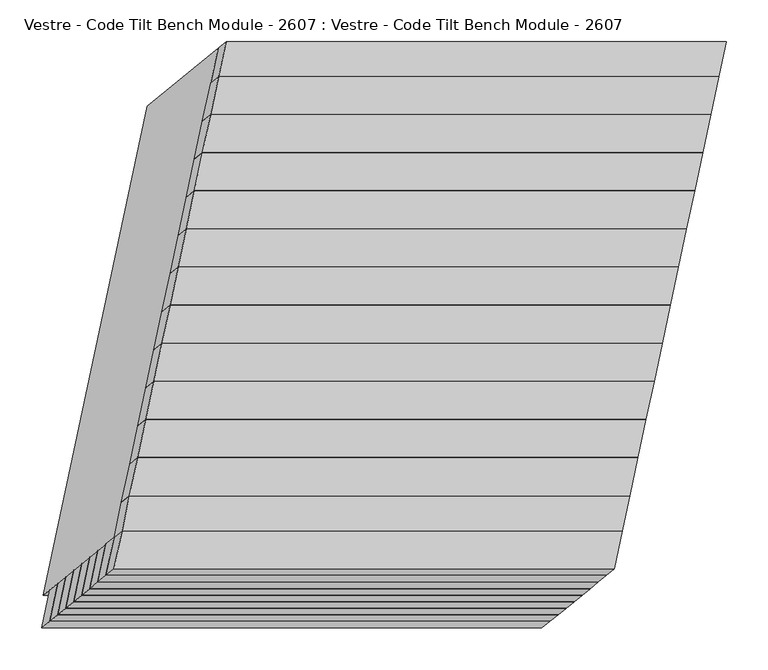
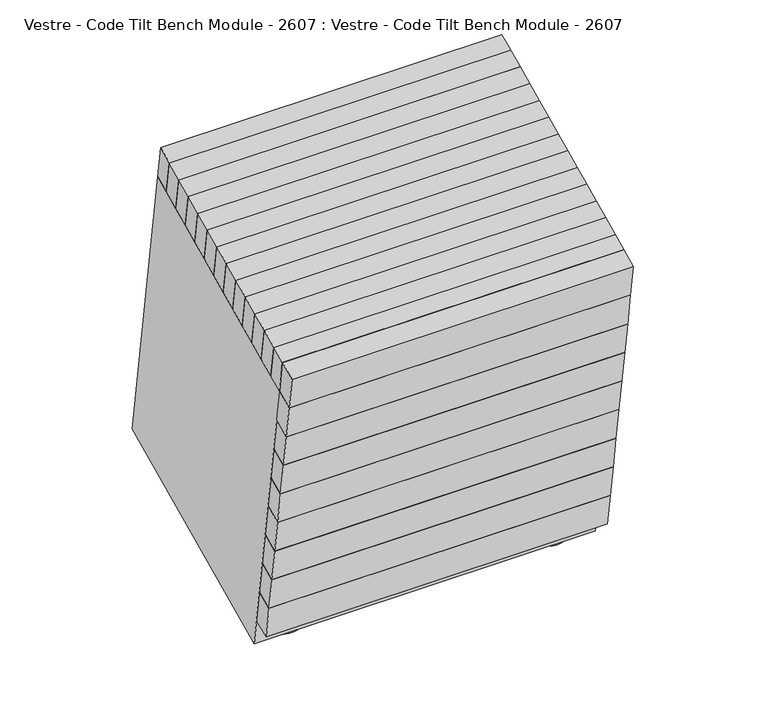
"""IFC4 building model written with IfcOpenShell, lengths in millimetres: furniture geometry, Vestre - Code Tilt Bench Module - 2607 : Vestre - Code Tilt Bench Module - 2607."""

from ifc_helpers import new_model, si_unit, point, frame, frame_2d, origin, origin_with_axes, place, context, project, spatial, circle_curve, trimmed, segment, composite_curve, outline, extrude, faceted_brep, source, transform, mapped, element, save


def vestre_code_tilt_bench_module_2607_vestre_code_tilt_bench_d268f4c3(model_context):
    return source(origin(), model_context, "Body", "SolidModel", [
        faceted_brep([(215.751229, -269.8133464, 419.8134138), (225.5082596, -223.9101268, 419.8134138), (-374.4917404, -223.9101268, 419.8134138), (-384.248771, -269.8133464, 419.8134138), (206.1097925, -277.688061, 374.7462265), (-393.8902075, -277.688061, 374.7462265), (-384.133177, -231.7848414, 374.7462265), (215.866823, -231.7848414, 374.7462265)], [[[0, 1, 2, 3]], [[4, 5, 6, 7]], [[5, 4, 0, 3]], [[6, 5, 3, 2]], [[7, 6, 2, 1]], [[4, 7, 1, 0]]]),
        faceted_brep([(244.0437897, -174.1919917, 465.0), (253.7680564, -128.4429141, 465.0), (-346.2319436, -128.4429141, 465.0), (-355.9562103, -174.1919917, 465.0), (234.3979186, -182.0875693, 419.8134138), (-365.6020814, -182.0875693, 419.8134138), (-355.8778148, -136.3384916, 419.8134138), (244.1221852, -136.3384916, 419.8134138)], [[[0, 1, 2, 3]], [[4, 5, 6, 7]], [[5, 4, 0, 3]], [[6, 5, 3, 2]], [[7, 6, 2, 1]], [[4, 7, 1, 0]]]),
        faceted_brep([(253.7680564, -128.4429141, 465.0), (263.492323, -82.6938364, 465.0), (-336.507677, -82.6938364, 465.0), (-346.2319436, -128.4429141, 465.0), (244.1221852, -136.3384916, 419.8134138), (-355.8778148, -136.3384916, 419.8134138), (-346.1535481, -90.5894139, 419.8134138), (253.8464519, -90.5894139, 419.8134138)], [[[0, 1, 2, 3]], [[4, 5, 6, 7]], [[5, 4, 0, 3]], [[6, 5, 3, 2]], [[7, 6, 2, 1]], [[4, 7, 1, 0]]]),
        faceted_brep([(263.492323, -82.6938364, 465.0), (273.2165897, -36.9447587, 465.0), (-326.7834103, -36.9447587, 465.0), (-336.507677, -82.6938364, 465.0), (253.8464519, -90.5894139, 419.8134138), (-346.1535481, -90.5894139, 419.8134138), (-336.4292815, -44.8403363, 419.8134138), (263.5707185, -44.8403363, 419.8134138)], [[[0, 1, 2, 3]], [[4, 5, 6, 7]], [[5, 4, 0, 3]], [[6, 5, 3, 2]], [[7, 6, 2, 1]], [[4, 7, 1, 0]]]),
        faceted_brep([(273.2165897, -36.9447587, 465.0), (282.9408563, 8.8043189, 465.0), (-317.0591437, 8.8043189, 465.0), (-326.7834103, -36.9447587, 465.0), (263.5707185, -44.8403363, 419.8134138), (-336.4292815, -44.8403363, 419.8134138), (-326.7050148, 0.9087414, 419.8134138), (273.2949852, 0.9087414, 419.8134138)], [[[0, 1, 2, 3]], [[4, 5, 6, 7]], [[5, 4, 0, 3]], [[6, 5, 3, 2]], [[7, 6, 2, 1]], [[4, 7, 1, 0]]]),
        faceted_brep([(282.9408563, 8.8043189, 465.0), (292.665123, 54.5533966, 465.0), (-307.334877, 54.5533966, 465.0), (-317.0591437, 8.8043189, 465.0), (273.2949852, 0.9087414, 419.8134138), (-326.7050148, 0.9087414, 419.8134138), (-316.9807482, 46.657819, 419.8134138), (283.0192518, 46.657819, 419.8134138)], [[[0, 1, 2, 3]], [[4, 5, 6, 7]], [[5, 4, 0, 3]], [[6, 5, 3, 2]], [[7, 6, 2, 1]], [[4, 7, 1, 0]]]),
        faceted_brep([(292.665123, 54.5533966, 465.0), (302.3893896, 100.3024742, 465.0), (-297.6106104, 100.3024742, 465.0), (-307.334877, 54.5533966, 465.0), (283.0192518, 46.657819, 419.8134138), (-316.9807482, 46.657819, 419.8134138), (-307.2564815, 92.4068967, 419.8134138), (292.7435185, 92.4068967, 419.8134138)], [[[0, 1, 2, 3]], [[4, 5, 6, 7]], [[5, 4, 0, 3]], [[6, 5, 3, 2]], [[7, 6, 2, 1]], [[4, 7, 1, 0]]]),
        faceted_brep([(302.3893896, 100.3024742, 465.0), (312.1136563, 146.0515519, 465.0), (-287.8863437, 146.0515519, 465.0), (-297.6106104, 100.3024742, 465.0), (292.7435185, 92.4068967, 419.8134138), (-307.2564815, 92.4068967, 419.8134138), (-297.5322149, 138.1559744, 419.8134138), (302.4677851, 138.1559744, 419.8134138)], [[[0, 1, 2, 3]], [[4, 5, 6, 7]], [[5, 4, 0, 3]], [[6, 5, 3, 2]], [[7, 6, 2, 1]], [[4, 7, 1, 0]]]),
        faceted_brep([(312.1136563, 146.0515519, 465.0), (321.8379229, 191.8006296, 465.0), (-278.1620771, 191.8006296, 465.0), (-287.8863437, 146.0515519, 465.0), (302.4677851, 138.1559744, 419.8134138), (-297.5322149, 138.1559744, 419.8134138), (-287.8079482, 183.905052, 419.8134138), (312.1920518, 183.905052, 419.8134138)], [[[0, 1, 2, 3]], [[4, 5, 6, 7]], [[5, 4, 0, 3]], [[6, 5, 3, 2]], [[7, 6, 2, 1]], [[4, 7, 1, 0]]]),
        faceted_brep([(321.8379229, 191.8006296, 465.0), (331.5621895, 237.5497072, 465.0), (-268.4378105, 237.5497072, 465.0), (-278.1620771, 191.8006296, 465.0), (312.1920518, 183.905052, 419.8134138), (-287.8079482, 183.905052, 419.8134138), (-278.0836816, 229.6541297, 419.8134138), (321.9163184, 229.6541297, 419.8134138)], [[[0, 1, 2, 3]], [[4, 5, 6, 7]], [[5, 4, 0, 3]], [[6, 5, 3, 2]], [[7, 6, 2, 1]], [[4, 7, 1, 0]]]),
        faceted_brep([(331.5621895, 237.5497072, 465.0), (341.2864562, 283.2987849, 465.0), (-258.7135438, 283.2987849, 465.0), (-268.4378105, 237.5497072, 465.0), (321.9163184, 229.6541297, 419.8134138), (-278.0836816, 229.6541297, 419.8134138), (-268.3594149, 275.4032074, 419.8134138), (331.6405851, 275.4032074, 419.8134138)], [[[0, 1, 2, 3]], [[4, 5, 6, 7]], [[5, 4, 0, 3]], [[6, 5, 3, 2]], [[7, 6, 2, 1]], [[4, 7, 1, 0]]]),
        faceted_brep([(341.2864562, 283.2987849, 465.0), (351.0107228, 329.0478626, 465.0), (-248.9892772, 329.0478626, 465.0), (-258.7135438, 283.2987849, 465.0), (331.6405851, 275.4032074, 419.8134138), (-268.3594149, 275.4032074, 419.8134138), (-258.6351483, 321.152285, 419.8134138), (341.3648517, 321.152285, 419.8134138)], [[[0, 1, 2, 3]], [[4, 5, 6, 7]], [[5, 4, 0, 3]], [[6, 5, 3, 2]], [[7, 6, 2, 1]], [[4, 7, 1, 0]]]),
        faceted_brep([(235.1533674, -216.0181403, 465.0), (244.0437897, -174.1919917, 465.0), (-355.9562103, -174.1919917, 465.0), (-364.8466326, -216.0181403, 465.0), (225.5082596, -223.9101268, 419.8134138), (-374.4917404, -223.9101268, 419.8134138), (-365.6020814, -182.0875693, 419.8134138), (234.3979186, -182.0875693, 419.8134138)], [[[0, 1, 2, 3]], [[4, 5, 6, 7]], [[5, 4, 0, 3]], [[6, 5, 3, 2]], [[7, 6, 2, 1]], [[4, 7, 1, 0]]]),
        extrude(outline(composite_curve([segment(trimmed(circle_curve(frame_2d((184.9661106, 228.5027868)), 5.0), [point((189.9661106, 228.5027868))], [point((179.9661106, 228.5027868))], False, "CARTESIAN"), True, "CONTINUOUS"), segment(trimmed(circle_curve(frame_2d((184.9661106, 228.5027868)), 5.0), [point((179.9661106, 228.5027868))], [point((189.9661106, 228.5027868))], False, "CARTESIAN"), True, "CONTINUOUS")], self_intersect=False)), frame((0.0, 0.0, 5.0), z_axis=(0.0, 0.0, 1.0), x_axis=(1.0, 0.0, 0.0)), (0.0, 0.0, 1.0), 16.8677277),
        extrude(outline(composite_curve([segment(trimmed(circle_curve(frame_2d((-379.2374486, -228.4385142)), 5.0), [point((-374.2374486, -228.4385142))], [point((-384.2374486, -228.4385142))], False, "CARTESIAN"), True, "CONTINUOUS"), segment(trimmed(circle_curve(frame_2d((-379.2374486, -228.4385142)), 5.0), [point((-384.2374486, -228.4385142))], [point((-374.2374486, -228.4385142))], False, "CARTESIAN"), True, "CONTINUOUS")], self_intersect=False)), frame((0.0, 0.0, 5.0), z_axis=(0.0, 0.0, 1.0), x_axis=(1.0, 0.0, 0.0)), (0.0, 0.0, 1.0), 16.8677277),
        extrude(outline(composite_curve([segment(trimmed(circle_curve(frame_2d((87.8263213, -228.4385142)), 5.0), [point((92.8263213, -228.4385142))], [point((82.8263213, -228.4385142))], False, "CARTESIAN"), True, "CONTINUOUS"), segment(trimmed(circle_curve(frame_2d((87.8263213, -228.4385142)), 5.0), [point((82.8263213, -228.4385142))], [point((92.8263213, -228.4385142))], False, "CARTESIAN"), True, "CONTINUOUS")], self_intersect=False)), frame((0.0, 0.0, 5.0), z_axis=(0.0, 0.0, 1.0), x_axis=(1.0, 0.0, 0.0)), (0.0, 0.0, 1.0), 16.8677277),
        faceted_brep([(-249.744726, 362.9784336, 419.8134138), (-374.4917404, -223.9101268, 419.8134138), (225.5082596, -223.9101268, 419.8134138), (350.255274, 362.9784336, 419.8134138), (-208.6618234, 312.2208839, 419.8134138), (287.594671, 312.2208839, 419.8134138), (181.9894462, -184.6126361, 419.8134138), (-314.2670481, -184.6126361, 419.8134138), (-334.6932278, 293.4442802, 21.8677277), (265.3067722, 293.4442802, 21.8677277), (140.5597577, -293.4442802, 21.8677277), (-459.4402423, -293.4442802, 21.8677277), (202.6461691, 242.6867305, 21.8677277), (-293.6103253, 242.6867305, 21.8677277), (-397.172905, -244.5369002, 21.8677277), (99.0835894, -244.5369002, 21.8677277), (-334.09591, -231.7848414, 374.7462265), (171.9626845, -231.7848414, 374.7462265), (100.3471348, -284.7076416, 71.8677277), (-405.7114596, -284.7076416, 71.8677277), (-212.211096, 309.3156453, 403.1866612), (284.0453984, 309.3156453, 403.1866612), (206.7306515, 246.0300623, 41.0016985), (-289.5258429, 246.0300623, 41.0016985), (178.5255183, -187.1163595, 403.1866612), (103.0698576, -241.6556298, 41.0016985), (-317.730976, -187.1163595, 403.1866612), (-393.1866367, -241.6556298, 41.0016985), (-330.8611911, -216.5666856, 374.7462265), (175.1974034, -216.5666856, 374.7462265), (104.5597422, -264.8888821, 71.8677277), (-401.4988523, -264.8888821, 71.8677277), (-224.6981062, 332.9707916, 403.1866612), (317.142409, 332.9707916, 403.1866612), (201.2990829, -212.0292084, 403.1866612), (-340.5414324, -212.0292084, 403.1866612), (-322.5535579, 272.8781405, 41.0016985), (-437.9061944, -269.8133464, 41.0016985), (131.2549878, -269.8133464, 41.0016985), (246.6076242, 272.8781405, 41.0016985)], [[[0, 1, 2, 3], [4, 5, 6, 7]], [[8, 9, 10, 11], [12, 13, 14, 15]], [[0, 3, 9, 8]], [[3, 2, 10, 9]], [[2, 1, 11, 10], [16, 17, 18, 19]], [[1, 0, 8, 11]], [[5, 4, 20, 21]], [[13, 12, 22, 23]], [[6, 5, 21, 24]], [[12, 15, 25, 22]], [[7, 6, 24, 26]], [[15, 14, 27, 25]], [[4, 7, 26, 20]], [[14, 13, 23, 27]], [[17, 16, 28, 29]], [[19, 18, 30, 31]], [[18, 17, 29, 30]], [[16, 19, 31, 28]], [[32, 33, 34, 35], [21, 20, 26, 24]], [[36, 37, 38, 39], [23, 22, 25, 27]], [[33, 32, 36, 39]], [[34, 33, 39, 38]], [[35, 34, 38, 37], [29, 28, 31, 30]], [[32, 35, 37, 36]]]),
        extrude(outline(composite_curve([segment(trimmed(circle_curve(frame_2d((-282.0328456, 228.5027868)), 5.0), [point((-287.0328456, 228.5027868))], [point((-277.0328456, 228.5027868))], False, "CARTESIAN"), True, "CONTINUOUS"), segment(trimmed(circle_curve(frame_2d((-282.0328456, 228.5027868)), 5.0), [point((-277.0328456, 228.5027868))], [point((-287.0328456, 228.5027868))], False, "CARTESIAN"), True, "CONTINUOUS")], self_intersect=False)), frame((0.0, 0.0, 5.0), z_axis=(0.0, 0.0, 1.0), x_axis=(1.0, 0.0, 0.0)), (0.0, 0.0, 1.0), 16.8677277),
        faceted_brep([(148.4085458, -324.9363487, 104.3431028), (158.1655763, -279.0331292, 104.3431028), (-441.8344237, -279.0331292, 104.3431028), (-451.5914542, -324.9363487, 104.3431028), (138.7671092, -332.8110633, 59.2759155), (-461.2328908, -332.8110633, 59.2759155), (-451.4758603, -286.9078438, 59.2759155), (148.5241397, -286.9078438, 59.2759155)], [[[0, 1, 2, 3]], [[4, 5, 6, 7]], [[5, 4, 0, 3]], [[6, 5, 3, 2]], [[7, 6, 2, 1]], [[4, 7, 1, 0]]]),
        faceted_brep([(158.0499823, -317.0616341, 149.4102901), (167.8070128, -271.1584146, 149.4102901), (-432.1929872, -271.1584146, 149.4102901), (-441.9500177, -317.0616341, 149.4102901), (148.4085458, -324.9363487, 104.3431028), (-451.5914542, -324.9363487, 104.3431028), (-441.8344237, -279.0331292, 104.3431028), (158.1655763, -279.0331292, 104.3431028)], [[[0, 1, 2, 3]], [[4, 5, 6, 7]], [[5, 4, 0, 3]], [[6, 5, 3, 2]], [[7, 6, 2, 1]], [[4, 7, 1, 0]]]),
        faceted_brep([(167.6703657, -309.1869195, 194.4774774), (177.4273962, -263.2836999, 194.4774774), (-422.5726038, -263.2836999, 194.4774774), (-432.3296343, -309.1869195, 194.4774774), (158.0289291, -317.0616341, 149.4102901), (-441.9710709, -317.0616341, 149.4102901), (-432.2140404, -271.1584146, 149.4102901), (167.7859596, -271.1584146, 149.4102901)], [[[0, 1, 2, 3]], [[4, 5, 6, 7]], [[5, 4, 0, 3]], [[6, 5, 3, 2]], [[7, 6, 2, 1]], [[4, 7, 1, 0]]]),
        faceted_brep([(177.290749, -301.3122048, 239.5446646), (187.0477795, -255.4089853, 239.5446646), (-412.9522205, -255.4089853, 239.5446646), (-422.709251, -301.3122048, 239.5446646), (167.6493124, -309.1869195, 194.4774774), (-432.3506876, -309.1869195, 194.4774774), (-422.5936571, -263.2836999, 194.4774774), (177.4063429, -263.2836999, 194.4774774)], [[[0, 1, 2, 3]], [[4, 5, 6, 7]], [[5, 4, 0, 3]], [[6, 5, 3, 2]], [[7, 6, 2, 1]], [[4, 7, 1, 0]]]),
        faceted_brep([(186.9111323, -293.4374902, 284.6118519), (196.6681628, -247.5342707, 284.6118519), (-403.3318372, -247.5342707, 284.6118519), (-413.0888677, -293.4374902, 284.6118519), (177.2696957, -301.3122048, 239.5446646), (-422.7303043, -301.3122048, 239.5446646), (-412.9732738, -255.4089853, 239.5446646), (187.0267262, -255.4089853, 239.5446646)], [[[0, 1, 2, 3]], [[4, 5, 6, 7]], [[5, 4, 0, 3]], [[6, 5, 3, 2]], [[7, 6, 2, 1]], [[4, 7, 1, 0]]]),
        faceted_brep([(196.5315156, -285.5627756, 329.6790392), (206.2885462, -239.6595561, 329.6790392), (-393.7114538, -239.6595561, 329.6790392), (-403.4684844, -285.5627756, 329.6790392), (186.8900791, -293.4374902, 284.6118519), (-413.1099209, -293.4374902, 284.6118519), (-403.3528904, -247.5342707, 284.6118519), (196.6471096, -247.5342707, 284.6118519)], [[[0, 1, 2, 3]], [[4, 5, 6, 7]], [[5, 4, 0, 3]], [[6, 5, 3, 2]], [[7, 6, 2, 1]], [[4, 7, 1, 0]]]),
        faceted_brep([(206.1097925, -277.688061, 374.7462265), (215.866823, -231.7848414, 374.7462265), (-384.133177, -231.7848414, 374.7462265), (-393.8902075, -277.688061, 374.7462265), (196.4683559, -285.5627756, 329.6790392), (-403.5316441, -285.5627756, 329.6790392), (-393.7746136, -239.6595561, 329.6790392), (206.2253864, -239.6595561, 329.6790392)], [[[0, 1, 2, 3]], [[4, 5, 6, 7]], [[5, 4, 0, 3]], [[6, 5, 3, 2]], [[7, 6, 2, 1]], [[4, 7, 1, 0]]]),
        faceted_brep([(351.0107228, 329.0478626, 465.0), (359.9011452, 370.8740111, 465.0), (-240.0988548, 370.8740111, 465.0), (-248.9892772, 329.0478626, 465.0), (341.3648517, 321.152285, 419.8134138), (-258.6351483, 321.152285, 419.8134138), (-249.744726, 362.9784336, 419.8134138), (350.255274, 362.9784336, 419.8134138)], [[[0, 1, 2, 3]], [[4, 5, 6, 7]], [[5, 4, 0, 3]], [[6, 5, 3, 2]], [[7, 6, 2, 1]], [[4, 7, 1, 0]]]),
        faceted_brep([(225.3971002, -261.9177688, 465.0), (235.1533674, -216.0181403, 465.0), (-364.8466326, -216.0181403, 465.0), (-374.6028998, -261.9177688, 465.0), (215.751229, -269.8133464, 419.8134138), (-384.248771, -269.8133464, 419.8134138), (-374.4917404, -223.9101268, 419.8134138), (225.5082596, -223.9101268, 419.8134138)], [[[0, 1, 2, 3]], [[4, 5, 6, 7]], [[5, 4, 0, 3]], [[6, 5, 3, 2]], [[7, 6, 2, 1]], [[4, 7, 1, 0]]]),
        extrude(outline(composite_curve([segment(trimmed(circle_curve(frame_2d((184.9104706, 228.2596966)), 40.0), [point((224.9104706, 228.2596966))], [point((144.9104706, 228.2596966))], False, "CARTESIAN"), True, "CONTINUOUS"), segment(trimmed(circle_curve(frame_2d((184.9104706, 228.2596966)), 40.0), [point((144.9104706, 228.2596966))], [point((224.9104706, 228.2596966))], False, "CARTESIAN"), True, "CONTINUOUS")], self_intersect=False)), origin_with_axes(), (0.0, 0.0, 1.0), 5.0),
        extrude(outline(composite_curve([segment(trimmed(circle_curve(frame_2d((-379.2930885, -228.6816045)), 40.0), [point((-339.2930885, -228.6816045))], [point((-419.2930885, -228.6816045))], False, "CARTESIAN"), True, "CONTINUOUS"), segment(trimmed(circle_curve(frame_2d((-379.2930885, -228.6816045)), 40.0), [point((-419.2930885, -228.6816045))], [point((-339.2930885, -228.6816045))], False, "CARTESIAN"), True, "CONTINUOUS")], self_intersect=False)), origin_with_axes(), (0.0, 0.0, 1.0), 5.0),
        extrude(outline(composite_curve([segment(trimmed(circle_curve(frame_2d((87.7706813, -228.6816045)), 40.0), [point((127.7706813, -228.6816045))], [point((47.7706813, -228.6816045))], False, "CARTESIAN"), True, "CONTINUOUS"), segment(trimmed(circle_curve(frame_2d((87.7706813, -228.6816045)), 40.0), [point((47.7706813, -228.6816045))], [point((127.7706813, -228.6816045))], False, "CARTESIAN"), True, "CONTINUOUS")], self_intersect=False)), origin_with_axes(), (0.0, 0.0, 1.0), 5.0),
        extrude(outline(composite_curve([segment(trimmed(circle_curve(frame_2d((-281.9772057, 228.2596966)), 40.0), [point((-321.9772057, 228.2596966))], [point((-241.9772057, 228.2596966))], False, "CARTESIAN"), True, "CONTINUOUS"), segment(trimmed(circle_curve(frame_2d((-281.9772057, 228.2596966)), 40.0), [point((-241.9772057, 228.2596966))], [point((-321.9772057, 228.2596966))], False, "CARTESIAN"), True, "CONTINUOUS")], self_intersect=False)), origin_with_axes(), (0.0, 0.0, 1.0), 5.0),
    ])


if __name__ == "__main__":
    model = new_model("IFC4")
    model_context = context("Model", 3, world=origin())
    ifc_project = project(units=[si_unit("LENGTHUNIT", "METRE", prefix="MILLI")], contexts=[model_context])
    site = spatial("IfcSite", under=ifc_project)
    building = spatial("IfcBuilding", under=site)
    placement = place(None, origin())
    vestre_code_tilt_bench_module_2607_vestre_code_tilt_bench_shape = vestre_code_tilt_bench_module_2607_vestre_code_tilt_bench_d268f4c3(model_context)
    element("IfcFurniture", 1, ObjectType="Vestre - Code Tilt Bench Module - 2607 : Vestre - Code Tilt Bench Module - 2607", at=placement, inside=building, context=model_context, shape_type="MappedRepresentation", body=[
        mapped(vestre_code_tilt_bench_module_2607_vestre_code_tilt_bench_shape, transform((0.0, 0.0, 0.0), x_axis=(1.0, 0.0, 0.0), y_axis=(0.0, 1.0, 0.0), z_axis=(0.0, 0.0, 1.0))),
    ])
    save(model, "model.ifc")
